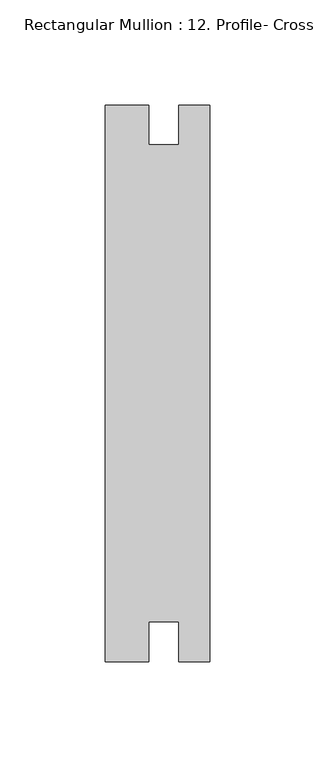
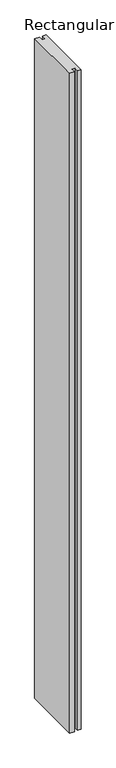
"""IFC4 building model written with IfcOpenShell, lengths in millimetres: member geometry, Rectangular Mullion : 12. Profile- Cross Rail Detail-1."""

from ifc_helpers import new_model, si_unit, frame, origin, place, context, project, spatial, polyline, outline, extrude, source, transform, mapped, element, save


def rectangular_mullion_12_profile_cross_rail_detail_1_8997fe75(model_context):
    return source(origin(), model_context, "Body", "SweptSolid", [
        extrude(outline(polyline([(0.0, -130.1935186), (-14.5923, -130.1935186), (-14.5923, -111.1689186), (-28.9089989, -111.1689186), (-28.9089989, -130.1935174), (-49.784, -130.1935174), (-49.784, 134.9511411), (-28.9089989, 134.9511411), (-28.9089989, 115.9265424), (-14.5923, 115.9265424), (-14.5923, 134.9511424), (0.0, 134.9511424), (0.0, -130.1935186)])), frame((0.0, 0.0, -3048.0), z_axis=(0.0, 0.0, 1.0), x_axis=(1.0, 0.0, 0.0)), (0.0, 0.0, 1.0), 3048.0),
    ])


if __name__ == "__main__":
    model = new_model("IFC4")
    model_context = context("Model", 3, world=origin())
    ifc_project = project(units=[si_unit("LENGTHUNIT", "METRE", prefix="MILLI")], contexts=[model_context])
    site = spatial("IfcSite", under=ifc_project)
    building = spatial("IfcBuilding", under=site)
    placement = place(None, origin())
    rectangular_mullion_12_profile_cross_rail_detail_1_shape = rectangular_mullion_12_profile_cross_rail_detail_1_8997fe75(model_context)
    element("IfcMember", 1, ObjectType="Rectangular Mullion : 12. Profile- Cross Rail Detail-1", at=placement, inside=building, context=model_context, shape_type="MappedRepresentation", body=[
        mapped(rectangular_mullion_12_profile_cross_rail_detail_1_shape, transform((0.0, 0.0, 0.0), x_axis=(1.0, 0.0, 0.0), y_axis=(0.0, 1.0, 0.0), z_axis=(0.0, 0.0, 1.0))),
    ])
    save(model, "model.ifc")
